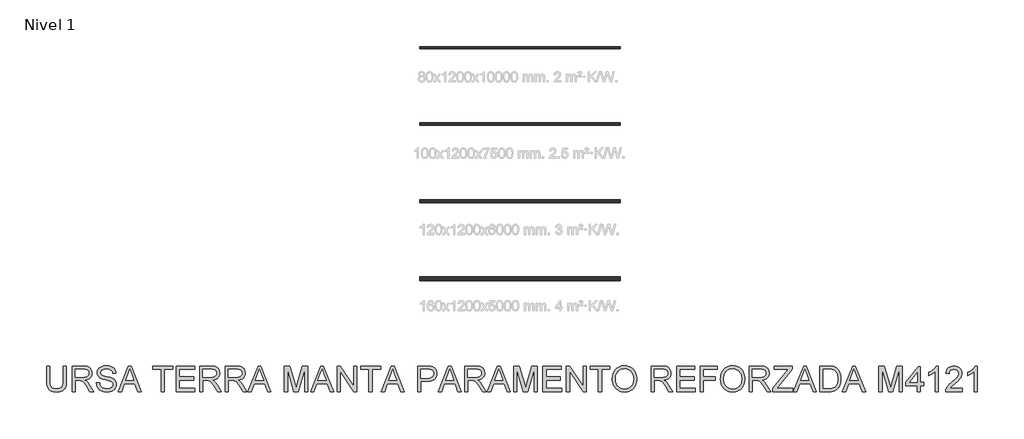
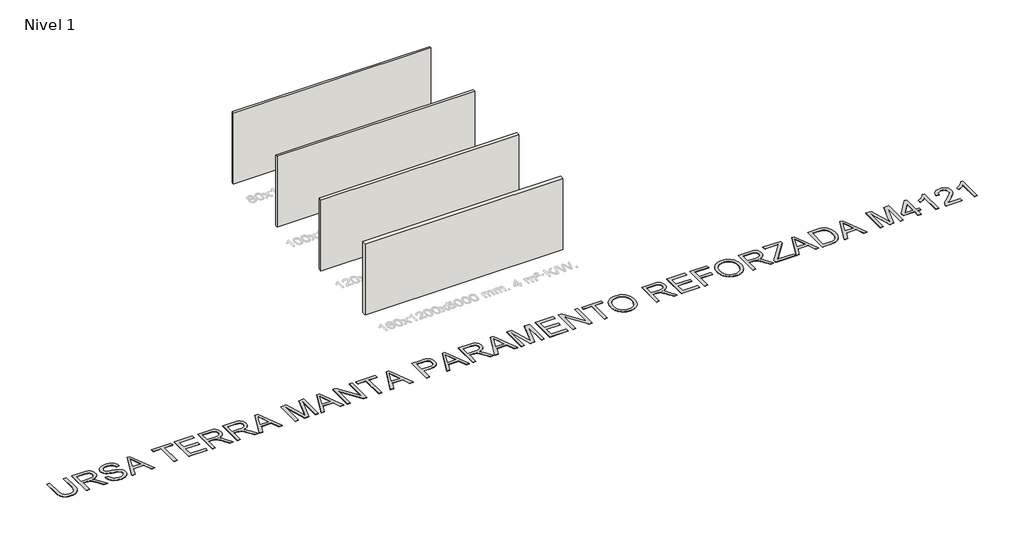
# One storey, part 1 of 5: 4 walls, 1 proxy.
"""IFC4 building model written with IfcOpenShell, lengths in millimetres."""

from ifc_helpers import new_model, si_unit, origin, origin_with_axes, place, context, project, spatial, polyline, outline, extrude, element, save

model = new_model("IFC4")

# Units and contexts
model_context = context("Model", 3, world=origin())
ifc_project = project(units=[si_unit("LENGTHUNIT", "METRE", prefix="MILLI")], contexts=[model_context])

# Site, building, storey
site = spatial("IfcSite", under=ifc_project)
building = spatial("IfcBuilding", under=site)
storey = spatial("IfcBuildingStorey", under=building, Name="Nivel 1", Elevation=0.0)

# Proxy
placement = place(None, origin())
element("IfcBuildingElementProxy", 1, Name="Texto de modelo 2", ObjectType="Texto de modelo 2", at=placement, inside=storey, context=model_context, shape_type="SweptSolid", body=[
    extrude(outline(polyline([(-14244.5145363, -8570.0537554), (-14118.9441487, -8570.0537554), (-14118.9441487, -9149.5905251), (-14121.0747985, -9221.3505068), (-14127.4667482, -9285.3083245), (-14138.1199977, -9341.4639782), (-14153.0345469, -9389.817468), (-14173.4979829, -9432.2005395), (-14200.7978926, -9470.4449386), (-14234.934276, -9504.5506652), (-14275.9071333, -9534.5177194), (-14323.7624495, -9558.9282226), (-14378.5462099, -9576.3642963), (-14440.2584146, -9586.8259406), (-14508.8990635, -9590.3131553), (-14575.8459225, -9587.2781289), (-14636.4008317, -9578.1730495), (-14690.5637913, -9562.9979172), (-14738.3348012, -9541.752732), (-14779.7215257, -9514.7517264), (-14814.7316289, -9482.3091329), (-14843.3651108, -9444.4249516), (-14865.6219715, -9401.0991825), (-14882.3069529, -9350.8449691), (-14894.2247967, -9292.1754551), (-14901.3755029, -9225.0906404), (-14903.7590717, -9149.5905251), (-14903.7590717, -8570.0537554), (-14778.188684, -8570.0537554), (-14778.188684, -9145.1759412), (-14776.6405139, -9205.8841346), (-14771.9960038, -9258.0237432), (-14764.2551534, -9301.594767), (-14753.417963, -9336.597206), (-14738.8099821, -9365.5602489), (-14719.7567604, -9391.0130844), (-14696.258298, -9412.9557126), (-14668.3145948, -9431.3881334), (-14636.4621454, -9445.9807859), (-14601.2374443, -9456.4041091), (-14562.6404917, -9462.658103), (-14520.6712874, -9464.7427676), (-14451.463487, -9460.6194236), (-14392.9549214, -9448.2493915), (-14345.1455904, -9427.6326714), (-14325.253138, -9414.2318033), (-14308.0354942, -9398.7692632), (-14293.1477697, -9380.3751634), (-14280.2450751, -9358.1796164), (-14260.3947758, -9302.3841804), (-14248.4845962, -9231.3829554), (-14244.5145363, -9145.1759412), (-14244.5145363, -8570.0537554)])), origin_with_axes(), (0.0, 0.0, 1.0), 10.0),
    extrude(outline(polyline([(-13899.1959702, -9574.6168569), (-13899.1959702, -8570.0537554), (-13466.3214892, -8570.0537554), (-13404.1877531, -8571.7475454), (-13349.9788082, -8576.8289155), (-13303.6946547, -8585.2978655), (-13265.3352925, -8597.1543957), (-13232.670437, -8613.3105466), (-13203.4698037, -8634.6783592), (-13177.7333924, -8661.2578333), (-13155.4612033, -8693.0489691), (-13137.488635, -8728.342648), (-13124.6510862, -8765.4297516), (-13116.9485569, -8804.31028), (-13114.3810472, -8844.9842331), (-13118.6346827, -8896.5796829), (-13131.3955894, -8943.9444898), (-13152.6637673, -8987.0786537), (-13182.4392163, -9025.9821747), (-13221.1051468, -9059.413451), (-13269.0447693, -9086.1308809), (-13326.2580838, -9106.1344644), (-13392.7450902, -9119.4242015), (-13351.3583657, -9146.4635281), (-13321.3759831, -9173.1349728), (-13269.9338175, -9234.1420703), (-13219.5952978, -9302.3841804), (-13052.0863626, -9574.6168569), (-13198.0128874, -9574.6168569), (-13328.733623, -9366.3956476), (-13381.03418, -9286.9331366), (-13423.1566684, -9228.5625267), (-13458.2587421, -9188.3714188), (-13489.4980549, -9163.4474136), (-13519.0818987, -9148.8241043), (-13549.2175655, -9139.5350839), (-13622.0582005, -9135.1205), (-13773.6255825, -9135.1205), (-13773.6255825, -9574.6168569), (-13899.1959702, -9574.6168569)]), holes=[polyline([(-13773.6255825, -9009.5501123), (-13492.5637382, -9009.5501123), (-13411.8442971, -9005.1048715), (-13349.2123874, -8991.7691492), (-13324.0277992, -8981.5450954), (-13302.0621784, -8968.6538971), (-13283.315525, -8953.0955544), (-13267.7878391, -8934.8700673), (-13255.6094123, -8914.874148), (-13246.9105359, -8894.004509), (-13241.6912101, -8872.2611502), (-13239.9514348, -8849.6440717), (-13243.270037, -8817.5310392), (-13253.2258435, -8788.3917195), (-13269.8188543, -8762.2261126), (-13293.0490695, -8739.0342185), (-13323.4529835, -8720.0423105), (-13361.5670911, -8706.4766619), (-13407.3913921, -8698.3372728), (-13460.9258866, -8695.6241431), (-13773.6255825, -8695.6241431), (-13773.6255825, -9009.5501123)])]), origin_with_axes(), (0.0, 0.0, 1.0), 10.0),
    extrude(outline(polyline([(-12941.7217641, -9229.2982907), (-12816.1513764, -9229.2982907), (-12810.4032202, -9265.8488998), (-12801.7426649, -9298.981272), (-12790.1697105, -9328.6954073), (-12775.6843569, -9354.9913057), (-12757.5508403, -9378.3977977), (-12735.0333965, -9399.4437135), (-12708.1320256, -9418.1290532), (-12676.8467276, -9434.4538167), (-12642.3271337, -9447.7052327), (-12605.7228752, -9457.1705299), (-12567.033952, -9462.8497082), (-12526.2603642, -9464.7427676), (-12456.3014715, -9459.0099399), (-12424.5869778, -9451.8439052), (-12395.0491193, -9441.8114566), (-12368.4159956, -9429.2728119), (-12345.4157067, -9414.588189), (-12326.0482525, -9397.7575877), (-12310.313633, -9378.7810081), (-12298.1352062, -9358.4785205), (-12289.4363298, -9337.6701951), (-12284.217004, -9316.356032), (-12282.4772287, -9294.5360312), (-12287.6888903, -9252.5055133), (-12303.3238751, -9216.1771662), (-12316.4756565, -9200.0593363), (-12335.084354, -9185.1831081), (-12359.1499679, -9171.5484817), (-12388.672498, -9159.155457), (-12454.9832276, -9139.4431134), (-12571.5098496, -9111.2081703), (-12691.5313505, -9079.4783482), (-12735.3323006, -9064.1882528), (-12768.326717, -9049.2813678), (-12801.857628, -9029.2777843), (-12830.8359994, -9007.036252), (-12855.261831, -8982.5567709), (-12875.135123, -8955.839341), (-12890.5325173, -8927.1598738), (-12901.5306561, -8896.7942808), (-12908.1295394, -8864.7425619), (-12910.3291672, -8831.0047173), (-12907.6083732, -8793.6110453), (-12899.4459915, -8757.4589751), (-12885.8420219, -8722.5485066), (-12866.7964644, -8688.8796398), (-12842.5239169, -8657.8242681), (-12813.2389773, -8630.7542846), (-12778.9416454, -8607.6696894), (-12739.6319214, -8588.5704825), (-12696.6357132, -8573.6022838), (-12651.2789289, -8562.9107133), (-12603.5615684, -8556.495771), (-12553.4836318, -8554.3574569), (-12498.8531556, -8556.5954057), (-12447.5336172, -8563.3092521), (-12399.5250169, -8574.4989961), (-12354.8273544, -8590.1646378), (-12314.2683645, -8610.1682213), (-12278.6757814, -8634.3717909), (-12248.0496053, -8662.7753466), (-12222.3898362, -8695.3788884), (-12201.8957434, -8731.2320545), (-12186.7665963, -8769.3844831), (-12177.002395, -8809.8361741), (-12172.6031395, -8852.5871277), (-12298.1735272, -8852.5871277), (-12306.5734994, -8812.518647), (-12321.2274656, -8777.661828), (-12342.1354256, -8748.0166705), (-12369.2973796, -8723.5831747), (-12403.2191652, -8704.4839678), (-12444.4066203, -8690.8416771), (-12492.8597447, -8682.6563027), (-12548.5785386, -8679.9278446), (-12606.0754287, -8682.6256459), (-12655.2030035, -8690.7190498), (-12695.9612629, -8704.2080563), (-12728.3502069, -8723.0926654), (-12753.0289574, -8745.7940502), (-12770.6566363, -8770.7333837), (-12781.2332437, -8797.9106661), (-12784.7587795, -8827.3258973), (-12782.2602476, -8852.6331129), (-12774.7646519, -8875.5797524), (-12762.2719925, -8896.1658157), (-12744.7822693, -8914.3913029), (-12717.2524334, -8931.6510998), (-12673.9036716, -8949.0948377), (-12614.735984, -8966.7225167), (-12539.7493707, -8984.5341366), (-12401.3031132, -9018.1953392), (-12352.5894056, -9033.4164567), (-12317.5486456, -9047.5645851), (-12279.0513277, -9069.0090397), (-12245.9649407, -9093.1206388), (-12218.2894848, -9119.8993824), (-12196.0249599, -9149.3452704), (-12178.9107829, -9181.3050188), (-12166.6863707, -9215.6253432), (-12159.3517235, -9252.3062438), (-12156.906841, -9291.3477206), (-12159.7196055, -9330.6267878), (-12168.1578987, -9368.7562237), (-12182.2217208, -9405.7360285), (-12201.9110718, -9441.5662019), (-12226.8810622, -9474.8595225), (-12256.7868027, -9504.2287685), (-12291.6282934, -9529.6739398), (-12331.4055341, -9551.1950365), (-12374.9612295, -9568.3092135), (-12421.1380841, -9580.5336256), (-12469.9360979, -9587.8682729), (-12521.3552709, -9590.3131553), (-12585.5890001, -9587.6766677), (-12644.3811415, -9579.7672048), (-12697.731695, -9566.5847666), (-12745.6406607, -9548.1293532), (-12788.3992784, -9524.3703077), (-12826.2987881, -9495.2769732), (-12859.3391898, -9460.8493499), (-12887.5204835, -9421.0874375), (-12910.2218683, -9377.2788233), (-12926.8225433, -9330.7110941), (-12937.3225086, -9281.3842499), (-12941.7217641, -9229.2982907)])), origin_with_axes(), (0.0, 0.0, 1.0), 10.0),
    extrude(outline(polyline([(-12085.537734, -9574.6168569), (-11684.5463592, -8570.0537554), (-11577.615326, -8570.0537554), (-11176.6239512, -9574.6168569), (-11309.3067242, -9574.6168569), (-11424.3311613, -9260.6908877), (-11838.0757786, -9260.6908877), (-11952.8549611, -9574.6168569), (-12085.537734, -9574.6168569)]), holes=[polyline([(-11791.9679018, -9135.1205), (-11470.1937834, -9135.1205), (-11560.6927542, -8888.1490539), (-11631.0808426, -8695.6241431), (-11693.6207818, -8866.5666435), (-11791.9679018, -9135.1205)])]), origin_with_axes(), (0.0, 0.0, 1.0), 10.0),
    extrude(outline(polyline([(-10398.9214134, -9574.6168569), (-10398.9214134, -8695.6241431), (-10728.5436811, -8695.6241431), (-10728.5436811, -8570.0537554), (-9943.7287581, -8570.0537554), (-9943.7287581, -8695.6241431), (-10273.3510257, -8695.6241431), (-10273.3510257, -9574.6168569), (-10398.9214134, -9574.6168569)])), origin_with_axes(), (0.0, 0.0, 1.0), 10.0),
    extrude(outline(polyline([(-9802.4620719, -9574.6168569), (-9802.4620719, -8570.0537554), (-9080.4323427, -8570.0537554), (-9080.4323427, -8695.6241431), (-9676.8916842, -8695.6241431), (-9676.8916842, -8993.8538138), (-9111.8249396, -8993.8538138), (-9111.8249396, -9119.4242015), (-9676.8916842, -9119.4242015), (-9676.8916842, -9449.0464692), (-9064.7360443, -9449.0464692), (-9064.7360443, -9574.6168569), (-9802.4620719, -9574.6168569)])), origin_with_axes(), (0.0, 0.0, 1.0), 10.0),
    extrude(outline(polyline([(-8876.3804627, -9574.6168569), (-8876.3804627, -8570.0537554), (-8443.5059817, -8570.0537554), (-8381.3722456, -8571.7475454), (-8327.1633008, -8576.8289155), (-8280.8791472, -8585.2978655), (-8242.519785, -8597.1543957), (-8209.8549295, -8613.3105466), (-8180.6542962, -8634.6783592), (-8154.9178849, -8661.2578333), (-8132.6456958, -8693.0489691), (-8114.6731275, -8728.342648), (-8101.8355787, -8765.4297516), (-8094.1330494, -8804.31028), (-8091.5655397, -8844.9842331), (-8095.8191752, -8896.5796829), (-8108.580082, -8943.9444898), (-8129.8482598, -8987.0786537), (-8159.6237088, -9025.9821747), (-8198.2896393, -9059.413451), (-8246.2292618, -9086.1308809), (-8303.4425763, -9106.1344644), (-8369.9295827, -9119.4242015), (-8328.5428582, -9146.4635281), (-8298.5604756, -9173.1349728), (-8247.11831, -9234.1420703), (-8196.7797903, -9302.3841804), (-8029.2708552, -9574.6168569), (-8175.1973799, -9574.6168569), (-8305.9181155, -9366.3956476), (-8358.2186725, -9286.9331366), (-8400.341161, -9228.5625267), (-8435.4432347, -9188.3714188), (-8466.6825474, -9163.4474136), (-8496.2663912, -9148.8241043), (-8526.402058, -9139.5350839), (-8599.242693, -9135.1205), (-8750.810075, -9135.1205), (-8750.810075, -9574.6168569), (-8876.3804627, -9574.6168569)]), holes=[polyline([(-8750.810075, -9009.5501123), (-8469.7482307, -9009.5501123), (-8389.0287896, -9005.1048715), (-8326.3968799, -8991.7691492), (-8301.2122917, -8981.5450954), (-8279.2466709, -8968.6538971), (-8260.5000175, -8953.0955544), (-8244.9723317, -8934.8700673), (-8232.7939048, -8914.874148), (-8224.0950284, -8894.004509), (-8218.8757026, -8872.2611502), (-8217.1359274, -8849.6440717), (-8220.4545295, -8817.5310392), (-8230.410336, -8788.3917195), (-8247.0033468, -8762.2261126), (-8270.233562, -8739.0342185), (-8300.6374761, -8720.0423105), (-8338.7515836, -8706.4766619), (-8384.5758846, -8698.3372728), (-8438.1103791, -8695.6241431), (-8750.810075, -8695.6241431), (-8750.810075, -9009.5501123)])]), origin_with_axes(), (0.0, 0.0, 1.0), 10.0),
    extrude(outline(polyline([(-7871.8173612, -9574.6168569), (-7871.8173612, -8570.0537554), (-7438.9428802, -8570.0537554), (-7376.8091441, -8571.7475454), (-7322.6001993, -8576.8289155), (-7276.3160457, -8585.2978655), (-7237.9566835, -8597.1543957), (-7205.291828, -8613.3105466), (-7176.0911947, -8634.6783592), (-7150.3547834, -8661.2578333), (-7128.0825943, -8693.0489691), (-7110.110026, -8728.342648), (-7097.2724772, -8765.4297516), (-7089.5699479, -8804.31028), (-7087.0024382, -8844.9842331), (-7091.2560738, -8896.5796829), (-7104.0169805, -8943.9444898), (-7125.2851583, -8987.0786537), (-7155.0606073, -9025.9821747), (-7193.7265378, -9059.413451), (-7241.6661603, -9086.1308809), (-7298.8794748, -9106.1344644), (-7365.3664812, -9119.4242015), (-7323.9797567, -9146.4635281), (-7293.9973741, -9173.1349728), (-7242.5552085, -9234.1420703), (-7192.2166888, -9302.3841804), (-7024.7077537, -9574.6168569), (-7170.6342784, -9574.6168569), (-7301.355014, -9366.3956476), (-7353.655571, -9286.9331366), (-7395.7780595, -9228.5625267), (-7430.8801332, -9188.3714188), (-7462.1194459, -9163.4474136), (-7491.7032897, -9148.8241043), (-7521.8389565, -9139.5350839), (-7594.6795915, -9135.1205), (-7746.2469735, -9135.1205), (-7746.2469735, -9574.6168569), (-7871.8173612, -9574.6168569)]), holes=[polyline([(-7746.2469735, -9009.5501123), (-7465.1851292, -9009.5501123), (-7384.4656881, -9005.1048715), (-7321.8337784, -8991.7691492), (-7296.6491902, -8981.5450954), (-7274.6835694, -8968.6538971), (-7255.936916, -8953.0955544), (-7240.4092302, -8934.8700673), (-7228.2308033, -8914.874148), (-7219.5319269, -8894.004509), (-7214.3126011, -8872.2611502), (-7212.5728259, -8849.6440717), (-7215.891428, -8817.5310392), (-7225.8472345, -8788.3917195), (-7242.4402454, -8762.2261126), (-7265.6704605, -8739.0342185), (-7296.0743746, -8720.0423105), (-7334.1884821, -8706.4766619), (-7380.0127831, -8698.3372728), (-7433.5472776, -8695.6241431), (-7746.2469735, -8695.6241431), (-7746.2469735, -9009.5501123)])]), origin_with_axes(), (0.0, 0.0, 1.0), 10.0),
    extrude(outline(polyline([(-6984.2407342, -9574.6168569), (-6583.2493595, -8570.0537554), (-6476.3183262, -8570.0537554), (-6075.3269514, -9574.6168569), (-6208.0097244, -9574.6168569), (-6323.0341615, -9260.6908877), (-6736.7787788, -9260.6908877), (-6851.5579613, -9574.6168569), (-6984.2407342, -9574.6168569)]), holes=[polyline([(-6690.670902, -9135.1205), (-6368.8967836, -9135.1205), (-6459.3957544, -8888.1490539), (-6529.7838428, -8695.6241431), (-6592.323782, -8866.5666435), (-6690.670902, -9135.1205)])]), origin_with_axes(), (0.0, 0.0, 1.0), 10.0),
    extrude(outline(polyline([(-5548.765189, -9574.6168569), (-5548.765189, -8570.0537554), (-5332.6958305, -8570.0537554), (-5127.1724225, -9278.1039688), (-5085.7243844, -9425.9925308), (-5040.842781, -9265.8412356), (-4838.7529383, -8570.0537554), (-4622.6835798, -8570.0537554), (-4622.6835798, -9574.6168569), (-4748.2539675, -9574.6168569), (-4748.2539675, -8695.6241431), (-5000.6210162, -9574.6168569), (-5170.8277526, -9574.6168569), (-5423.1948013, -8695.6241431), (-5423.1948013, -9574.6168569), (-5548.765189, -9574.6168569)])), origin_with_axes(), (0.0, 0.0, 1.0), 10.0),
    extrude(outline(polyline([(-4519.9218758, -9574.6168569), (-4118.9305011, -8570.0537554), (-4011.9994678, -8570.0537554), (-3611.0080931, -9574.6168569), (-3743.690866, -9574.6168569), (-3858.7153032, -9260.6908877), (-4272.4599204, -9260.6908877), (-4387.2391029, -9574.6168569), (-4519.9218758, -9574.6168569)]), holes=[polyline([(-4226.3520437, -9135.1205), (-3904.5779252, -9135.1205), (-3995.0768961, -8888.1490539), (-4065.4649845, -8695.6241431), (-4128.0049236, -8866.5666435), (-4226.3520437, -9135.1205)])]), origin_with_axes(), (0.0, 0.0, 1.0), 10.0),
    extrude(outline(polyline([(-3476.8537922, -9574.6168569), (-3476.8537922, -8570.0537554), (-3342.4542366, -8570.0537554), (-2817.6092568, -9365.9051383), (-2817.6092568, -8570.0537554), (-2692.0388691, -8570.0537554), (-2692.0388691, -9574.6168569), (-2826.4384247, -9574.6168569), (-3351.2834045, -8778.5202193), (-3351.2834045, -9574.6168569), (-3476.8537922, -9574.6168569)])), origin_with_axes(), (0.0, 0.0, 1.0), 10.0),
    extrude(outline(polyline([(-2221.1499153, -9574.6168569), (-2221.1499153, -8695.6241431), (-2550.772183, -8695.6241431), (-2550.772183, -8570.0537554), (-1765.9572599, -8570.0537554), (-1765.9572599, -8695.6241431), (-2095.5795276, -8695.6241431), (-2095.5795276, -9574.6168569), (-2221.1499153, -9574.6168569)])), origin_with_axes(), (0.0, 0.0, 1.0), 10.0),
    extrude(outline(polyline([(-1741.6770483, -9574.6168569), (-1340.6856735, -8570.0537554), (-1233.7546403, -8570.0537554), (-832.7632655, -9574.6168569), (-965.4460384, -9574.6168569), (-1080.4704756, -9260.6908877), (-1494.2150928, -9260.6908877), (-1608.9942753, -9574.6168569), (-1741.6770483, -9574.6168569)]), holes=[polyline([(-1448.1072161, -9135.1205), (-1126.3330977, -9135.1205), (-1216.8320685, -8888.1490539), (-1287.2201569, -8695.6241431), (-1349.7600961, -8866.5666435), (-1448.1072161, -9135.1205)])]), origin_with_axes(), (0.0, 0.0, 1.0), 10.0),
    extrude(outline(polyline([(-306.2015031, -9574.6168569), (-306.2015031, -8570.0537554), (66.095076, -8570.0537554), (152.7925996, -8572.4449883), (216.1909301, -8579.6186872), (251.1320554, -8587.1526039), (283.1147964, -8597.4916208), (312.1391529, -8610.635738), (338.2051251, -8626.5849553), (361.5886245, -8645.6688338), (382.5655624, -8668.2169344), (401.1359389, -8694.2292572), (417.2997541, -8723.705802), (430.3902218, -8755.6732146), (439.7405558, -8789.1581403), (445.3507562, -8824.1605793), (447.220823, -8860.6805316), (442.1701098, -8922.346751), (427.0179701, -8979.0772203), (401.764404, -9030.8719396), (366.4094114, -9077.7309087), (344.1736273, -9098.5392341), (317.8719807, -9116.573116), (287.5044716, -9131.8325546), (253.0711001, -9144.3175498), (214.5718661, -9154.0281017), (172.0067696, -9160.9642101), (74.6789893, -9166.5130969), (-180.6311154, -9166.5130969), (-180.6311154, -9574.6168569), (-306.2015031, -9574.6168569)]), holes=[polyline([(-180.6311154, -9040.9427092), (82.0366292, -9040.9427092), (142.43059, -9038.0609669), (193.3822464, -9029.41574), (234.8915982, -9015.0070285), (266.9586454, -8994.8348325), (290.8863035, -8969.4356464), (307.9774879, -8939.3459649), (318.2321985, -8904.5657879), (321.6504354, -8865.0951155), (319.6347486, -8835.7871832), (313.5876883, -8808.6865429), (303.5092545, -8783.7931946), (289.3994471, -8761.1071382), (272.0093586, -8741.3641378), (252.0900814, -8725.2999573), (229.6416155, -8712.9145968), (204.6639609, -8704.2080563), (156.2261649, -8697.7701214), (79.0935732, -8695.6241431), (-180.6311154, -8695.6241431), (-180.6311154, -9040.9427092)])]), origin_with_axes(), (0.0, 0.0, 1.0), 10.0),
    extrude(outline(polyline([(502.8936316, -9574.6168569), (903.8850064, -8570.0537554), (1010.8160397, -8570.0537554), (1411.8074144, -9574.6168569), (1279.1246415, -9574.6168569), (1164.1002043, -9260.6908877), (750.3555871, -9260.6908877), (635.5764046, -9574.6168569), (502.8936316, -9574.6168569)]), holes=[polyline([(796.4634638, -9135.1205), (1118.2375822, -9135.1205), (1027.7386114, -8888.1490539), (957.350523, -8695.6241431), (894.8105838, -8866.5666435), (796.4634638, -9135.1205)])]), origin_with_axes(), (0.0, 0.0, 1.0), 10.0),
    extrude(outline(polyline([(1545.9617153, -9574.6168569), (1545.9617153, -8570.0537554), (1978.8361963, -8570.0537554), (2040.9699324, -8571.7475454), (2095.1788773, -8576.8289155), (2141.4630308, -8585.2978655), (2179.822393, -8597.1543957), (2212.4872485, -8613.3105466), (2241.6878818, -8634.6783592), (2267.4242931, -8661.2578333), (2289.6964822, -8693.0489691), (2307.6690505, -8728.342648), (2320.5065993, -8765.4297516), (2328.2091286, -8804.31028), (2330.7766383, -8844.9842331), (2326.5230028, -8896.5796829), (2313.7620961, -8943.9444898), (2292.4939182, -8987.0786537), (2262.7184692, -9025.9821747), (2224.0525387, -9059.413451), (2176.1129162, -9086.1308809), (2118.8996017, -9106.1344644), (2052.4125953, -9119.4242015), (2093.7993198, -9146.4635281), (2123.7817024, -9173.1349728), (2175.2238681, -9234.1420703), (2225.5623877, -9302.3841804), (2393.0713229, -9574.6168569), (2247.1447981, -9574.6168569), (2116.4240625, -9366.3956476), (2064.1235055, -9286.9331366), (2022.0010171, -9228.5625267), (1986.8989434, -9188.3714188), (1955.6596306, -9163.4474136), (1926.0757868, -9148.8241043), (1895.94012, -9139.5350839), (1823.099485, -9135.1205), (1671.532103, -9135.1205), (1671.532103, -9574.6168569), (1545.9617153, -9574.6168569)]), holes=[polyline([(1671.532103, -9009.5501123), (1952.5939473, -9009.5501123), (2033.3133884, -9005.1048715), (2095.9452981, -8991.7691492), (2121.1298863, -8981.5450954), (2143.0955071, -8968.6538971), (2161.8421605, -8953.0955544), (2177.3698464, -8934.8700673), (2189.5482732, -8914.874148), (2198.2471496, -8894.004509), (2203.4664754, -8872.2611502), (2205.2062507, -8849.6440717), (2201.8876485, -8817.5310392), (2191.931842, -8788.3917195), (2175.3388312, -8762.2261126), (2152.108616, -8739.0342185), (2121.704702, -8720.0423105), (2083.5905944, -8706.4766619), (2037.7662934, -8698.3372728), (1984.2317989, -8695.6241431), (1671.532103, -8695.6241431), (1671.532103, -9009.5501123)])]), origin_with_axes(), (0.0, 0.0, 1.0), 10.0),
    extrude(outline(polyline([(2433.5383423, -9574.6168569), (2834.5297171, -8570.0537554), (2941.4607503, -8570.0537554), (3342.4521251, -9574.6168569), (3209.7693522, -9574.6168569), (3094.744915, -9260.6908877), (2681.0002978, -9260.6908877), (2566.2211153, -9574.6168569), (2433.5383423, -9574.6168569)]), holes=[polyline([(2727.1081745, -9135.1205), (3048.8822929, -9135.1205), (2958.3833221, -8888.1490539), (2887.9952337, -8695.6241431), (2825.4552945, -8866.5666435), (2727.1081745, -9135.1205)])]), origin_with_axes(), (0.0, 0.0, 1.0), 10.0),
    extrude(outline(polyline([(3476.606426, -9574.6168569), (3476.606426, -8570.0537554), (3692.6757845, -8570.0537554), (3898.1991925, -9278.1039688), (3939.6472306, -9425.9925308), (3984.528834, -9265.8412356), (4186.6186767, -8570.0537554), (4402.6880352, -8570.0537554), (4402.6880352, -9574.6168569), (4277.1176475, -9574.6168569), (4277.1176475, -8695.6241431), (4024.7505988, -9574.6168569), (3854.5438624, -9574.6168569), (3602.1768137, -8695.6241431), (3602.1768137, -9574.6168569), (3476.606426, -9574.6168569)])), origin_with_axes(), (0.0, 0.0, 1.0), 10.0),
    extrude(outline(polyline([(4622.4362136, -9574.6168569), (4622.4362136, -8570.0537554), (5344.4659428, -8570.0537554), (5344.4659428, -8695.6241431), (4748.0066013, -8695.6241431), (4748.0066013, -8993.8538138), (5313.0733459, -8993.8538138), (5313.0733459, -9119.4242015), (4748.0066013, -9119.4242015), (4748.0066013, -9449.0464692), (5360.1622413, -9449.0464692), (5360.1622413, -9574.6168569), (4622.4362136, -9574.6168569)])), origin_with_axes(), (0.0, 0.0, 1.0), 10.0),
    extrude(outline(polyline([(5548.5178228, -9574.6168569), (5548.5178228, -8570.0537554), (5682.9173784, -8570.0537554), (6207.7623582, -9365.9051383), (6207.7623582, -8570.0537554), (6333.3327459, -8570.0537554), (6333.3327459, -9574.6168569), (6198.9331903, -9574.6168569), (5674.0882105, -8778.5202193), (5674.0882105, -9574.6168569), (5548.5178228, -9574.6168569)])), origin_with_axes(), (0.0, 0.0, 1.0), 10.0),
    extrude(outline(polyline([(6804.2216997, -9574.6168569), (6804.2216997, -8695.6241431), (6474.599432, -8695.6241431), (6474.599432, -8570.0537554), (7259.4143551, -8570.0537554), (7259.4143551, -8695.6241431), (6929.7920874, -8695.6241431), (6929.7920874, -9574.6168569), (6804.2216997, -9574.6168569)])), origin_with_axes(), (0.0, 0.0, 1.0), 10.0),
    extrude(outline(polyline([(7353.5921458, -9085.5790579), (7355.6844747, -9024.9743313), (7361.9614612, -8967.7495206), (7372.4231055, -8913.9046256), (7387.0694074, -8863.4396465), (7405.900367, -8816.3545832), (7428.9159843, -8772.6494358), (7456.1162594, -8732.3242042), (7487.5011921, -8695.3788884), (7522.1932306, -8662.3269904), (7559.3148232, -8633.6820121), (7598.8659698, -8609.4439536), (7640.8466704, -8589.6128148), (7685.256925, -8574.1885957), (7732.0967336, -8563.1712964), (7781.3660962, -8556.5609168), (7833.0650129, -8554.3574569), (7900.6480011, -8558.4961294), (7964.8280808, -8570.9121467), (8025.6052521, -8591.6055089), (8082.9795149, -8620.576216), (8135.3413856, -8656.9505483), (8181.0813803, -8699.854786), (8220.1994991, -8749.2889291), (8252.695742, -8805.2529776), (8278.2328839, -8866.474673), (8296.4736995, -8931.6817566), (8307.4181888, -9000.8742286), (8311.0663519, -9074.0520888), (8307.2265836, -9148.1956392), (8295.7072786, -9218.3231445), (8276.508437, -9284.4346048), (8249.6300587, -9346.5300199), (8215.7082731, -9402.9692493), (8175.3792094, -9452.1121525), (8128.6428676, -9493.9587294), (8075.4992477, -9528.5089801), (8018.0406786, -9555.5483068), (7958.3594891, -9574.8621115), (7896.4556792, -9586.4503944), (7832.3292489, -9590.3131553), (7763.5659726, -9586.0441913), (7698.54283, -9573.2372994), (7637.2598209, -9551.8924795), (7579.7169455, -9522.0097316), (7527.4163885, -9484.7463511), (7481.8603348, -9441.2596336), (7443.0487843, -9391.549579), (7410.9817371, -9335.6161873), (7385.8737909, -9275.7050716), (7367.9395436, -9214.0618448), (7357.1789953, -9150.6865069), (7353.5921458, -9085.5790579)]), holes=[polyline([(7479.1625335, -9086.8053313), (7480.7317801, -9129.5984379), (7485.4395201, -9170.0539611), (7493.2857532, -9208.1719007), (7504.2704797, -9243.9522569), (7518.3936994, -9277.3950295), (7535.6554124, -9308.5002186), (7556.0556187, -9337.2678242), (7579.5943182, -9363.6978463), (7605.5012581, -9387.3802497), (7633.0061854, -9407.9049994), (7662.1091001, -9425.2720952), (7692.8100022, -9439.4815373), (7725.1088918, -9450.5333256), (7759.0057687, -9458.4274601), (7794.5006331, -9463.1639407), (7831.5934849, -9464.7427676), (7869.3646191, -9463.1486123), (7905.4228028, -9458.3661464), (7939.7680359, -9450.3953698), (7972.4003185, -9439.2362826), (8003.3196506, -9424.8888848), (8032.5260321, -9407.3531764), (8060.0194631, -9386.6291573), (8085.7999436, -9362.7168276), (8109.1661984, -9335.8729383), (8129.4169526, -9306.3542403), (8146.5522062, -9274.1607336), (8160.5719591, -9239.2924183), (8171.4762113, -9201.7492942), (8179.264963, -9161.5313615), (8183.9382139, -9118.6386202), (8185.4959643, -9073.0710701), (8182.8288198, -9015.6048368), (8174.8273864, -8961.9093939), (8161.4916641, -8911.9847415), (8142.8216528, -8865.8308795), (8119.0242862, -8824.0532804), (8090.306498, -8787.2574167), (8056.6682881, -8755.4432883), (8018.1096564, -8728.6108953), (7975.8262196, -8707.3120606), (7931.0135941, -8692.0986073), (7883.6717798, -8682.9705353), (7833.8007769, -8679.9278446), (7763.7345852, -8685.7909639), (7698.726771, -8703.3803218), (7668.1197554, -8716.5723402), (7638.7773342, -8732.6959183), (7583.8862748, -8773.7377534), (7559.3416479, -8799.1503518), (7538.069638, -8828.4831928), (7520.070245, -8861.7362762), (7505.3434688, -8898.9096022), (7493.8893096, -8940.0031707), (7485.7077673, -8985.0169817), (7480.798842, -9033.9510352), (7479.1625335, -9086.8053313)])]), origin_with_axes(), (0.0, 0.0, 1.0), 10.0),
    extrude(outline(polyline([(8876.1330965, -9574.6168569), (8876.1330965, -8570.0537554), (9309.0075775, -8570.0537554), (9371.1413137, -8571.7475454), (9425.3502585, -8576.8289155), (9471.634412, -8585.2978655), (9509.9937742, -8597.1543957), (9542.6586297, -8613.3105466), (9571.8592631, -8634.6783592), (9597.5956743, -8661.2578333), (9619.8678634, -8693.0489691), (9637.8404318, -8728.342648), (9650.6779805, -8765.4297516), (9658.3805098, -8804.31028), (9660.9480196, -8844.9842331), (9656.694384, -8896.5796829), (9643.9334773, -8943.9444898), (9622.6652995, -8987.0786537), (9592.8898505, -9025.9821747), (9554.2239199, -9059.413451), (9506.2842974, -9086.1308809), (9449.070983, -9106.1344644), (9382.5839766, -9119.4242015), (9423.970701, -9146.4635281), (9453.9530836, -9173.1349728), (9505.3952493, -9234.1420703), (9555.733769, -9302.3841804), (9723.2427041, -9574.6168569), (9577.3161793, -9574.6168569), (9446.5954437, -9366.3956476), (9394.2948867, -9286.9331366), (9352.1723983, -9228.5625267), (9317.0703246, -9188.3714188), (9285.8310118, -9163.4474136), (9256.247168, -9148.8241043), (9226.1115013, -9139.5350839), (9153.2708662, -9135.1205), (9001.7034842, -9135.1205), (9001.7034842, -9574.6168569), (8876.1330965, -9574.6168569)]), holes=[polyline([(9001.7034842, -9009.5501123), (9282.7653285, -9009.5501123), (9363.4847696, -9005.1048715), (9426.1166793, -8991.7691492), (9451.3012676, -8981.5450954), (9473.2668884, -8968.6538971), (9492.0135417, -8953.0955544), (9507.5412276, -8934.8700673), (9519.7196545, -8914.874148), (9528.4185308, -8894.004509), (9533.6378566, -8872.2611502), (9535.3776319, -8849.6440717), (9532.0590297, -8817.5310392), (9522.1032232, -8788.3917195), (9505.5102124, -8762.2261126), (9482.2799973, -8739.0342185), (9451.8760832, -8720.0423105), (9413.7619756, -8706.4766619), (9367.9376746, -8698.3372728), (9314.4031801, -8695.6241431), (9001.7034842, -8695.6241431), (9001.7034842, -9009.5501123)])]), origin_with_axes(), (0.0, 0.0, 1.0), 10.0),
    extrude(outline(polyline([(9880.696198, -9574.6168569), (9880.696198, -8570.0537554), (10602.7259272, -8570.0537554), (10602.7259272, -8695.6241431), (10006.2665857, -8695.6241431), (10006.2665857, -8993.8538138), (10571.3333303, -8993.8538138), (10571.3333303, -9119.4242015), (10006.2665857, -9119.4242015), (10006.2665857, -9449.0464692), (10618.4222257, -9449.0464692), (10618.4222257, -9574.6168569), (9880.696198, -9574.6168569)])), origin_with_axes(), (0.0, 0.0, 1.0), 10.0),
    extrude(outline(polyline([(10806.7778072, -9574.6168569), (10806.7778072, -8570.0537554), (11481.718641, -8570.0537554), (11481.718641, -8695.6241431), (10932.3481949, -8695.6241431), (10932.3481949, -8993.8538138), (11403.2371487, -8993.8538138), (11403.2371487, -9119.4242015), (10932.3481949, -9119.4242015), (10932.3481949, -9574.6168569), (10806.7778072, -9574.6168569)])), origin_with_axes(), (0.0, 0.0, 1.0), 10.0),
    extrude(outline(polyline([(11607.2890287, -9085.5790579), (11609.3813576, -9024.9743313), (11615.6583441, -8967.7495206), (11626.1199884, -8913.9046256), (11640.7662903, -8863.4396465), (11659.5972499, -8816.3545832), (11682.6128672, -8772.6494358), (11709.8131423, -8732.3242042), (11741.198075, -8695.3788884), (11775.8901135, -8662.3269904), (11813.0117061, -8633.6820121), (11852.5628527, -8609.4439536), (11894.5435533, -8589.6128148), (11938.9538079, -8574.1885957), (11985.7936165, -8563.1712964), (12035.0629791, -8556.5609168), (12086.7618958, -8554.3574569), (12154.344884, -8558.4961294), (12218.5249637, -8570.9121467), (12279.302135, -8591.6055089), (12336.6763978, -8620.576216), (12389.0382685, -8656.9505483), (12434.7782632, -8699.854786), (12473.896382, -8749.2889291), (12506.3926249, -8805.2529776), (12531.9297668, -8866.474673), (12550.1705824, -8931.6817566), (12561.1150717, -9000.8742286), (12564.7632348, -9074.0520888), (12560.9234665, -9148.1956392), (12549.4041615, -9218.3231445), (12530.2053199, -9284.4346048), (12503.3269416, -9346.5300199), (12469.405156, -9402.9692493), (12429.0760923, -9452.1121525), (12382.3397505, -9493.9587294), (12329.1961306, -9528.5089801), (12271.7375615, -9555.5483068), (12212.056372, -9574.8621115), (12150.1525621, -9586.4503944), (12086.0261318, -9590.3131553), (12017.2628555, -9586.0441913), (11952.2397129, -9573.2372994), (11890.9567038, -9551.8924795), (11833.4138284, -9522.0097316), (11781.1132714, -9484.7463511), (11735.5572177, -9441.2596336), (11696.7456672, -9391.549579), (11664.67862, -9335.6161873), (11639.5706738, -9275.7050716), (11621.6364265, -9214.0618448), (11610.8758782, -9150.6865069), (11607.2890287, -9085.5790579)]), holes=[polyline([(11732.8594164, -9086.8053313), (11734.428663, -9129.5984379), (11739.136403, -9170.0539611), (11746.9826361, -9208.1719007), (11757.9673626, -9243.9522569), (11772.0905823, -9277.3950295), (11789.3522953, -9308.5002186), (11809.7525016, -9337.2678242), (11833.2912011, -9363.6978463), (11859.198141, -9387.3802497), (11886.7030683, -9407.9049994), (11915.805983, -9425.2720952), (11946.5068851, -9439.4815373), (11978.8057747, -9450.5333256), (12012.7026516, -9458.4274601), (12048.197516, -9463.1639407), (12085.2903678, -9464.7427676), (12123.061502, -9463.1486123), (12159.1196857, -9458.3661464), (12193.4649188, -9450.3953698), (12226.0972014, -9439.2362826), (12257.0165335, -9424.8888848), (12286.222915, -9407.3531764), (12313.716346, -9386.6291573), (12339.4968265, -9362.7168276), (12362.8630813, -9335.8729383), (12383.1138355, -9306.3542403), (12400.2490891, -9274.1607336), (12414.268842, -9239.2924183), (12425.1730942, -9201.7492942), (12432.9618459, -9161.5313615), (12437.6350968, -9118.6386202), (12439.1928471, -9073.0710701), (12436.5257027, -9015.6048368), (12428.5242693, -8961.9093939), (12415.188547, -8911.9847415), (12396.5185357, -8865.8308795), (12372.7211691, -8824.0532804), (12344.0033809, -8787.2574167), (12310.365171, -8755.4432883), (12271.8065393, -8728.6108953), (12229.5231025, -8707.3120606), (12184.710477, -8692.0986073), (12137.3686627, -8682.9705353), (12087.4976598, -8679.9278446), (12017.4314681, -8685.7909639), (11952.4236539, -8703.3803218), (11921.8166383, -8716.5723402), (11892.4742171, -8732.6959183), (11837.5831577, -8773.7377534), (11813.0385308, -8799.1503518), (11791.7665209, -8828.4831928), (11773.7671279, -8861.7362762), (11759.0403517, -8898.9096022), (11747.5861925, -8940.0031707), (11739.4046502, -8985.0169817), (11734.4957249, -9033.9510352), (11732.8594164, -9086.8053313)])]), origin_with_axes(), (0.0, 0.0, 1.0), 10.0),
    extrude(outline(polyline([(12737.4225179, -9574.6168569), (12737.4225179, -8570.0537554), (13170.2969989, -8570.0537554), (13232.430735, -8571.7475454), (13286.6396799, -8576.8289155), (13332.9238334, -8585.2978655), (13371.2831956, -8597.1543957), (13403.9480511, -8613.3105466), (13433.1486845, -8634.6783592), (13458.8850957, -8661.2578333), (13481.1572848, -8693.0489691), (13499.1298531, -8728.342648), (13511.9674019, -8765.4297516), (13519.6699312, -8804.31028), (13522.2374409, -8844.9842331), (13517.9838054, -8896.5796829), (13505.2228987, -8943.9444898), (13483.9547208, -8987.0786537), (13454.1792718, -9025.9821747), (13415.5133413, -9059.413451), (13367.5737188, -9086.1308809), (13310.3604044, -9106.1344644), (13243.8733979, -9119.4242015), (13285.2601224, -9146.4635281), (13315.242505, -9173.1349728), (13366.6846707, -9234.1420703), (13417.0231903, -9302.3841804), (13584.5321255, -9574.6168569), (13438.6056007, -9574.6168569), (13307.8848651, -9366.3956476), (13255.5843081, -9286.9331366), (13213.4618197, -9228.5625267), (13178.359746, -9188.3714188), (13147.1204332, -9163.4474136), (13117.5365894, -9148.8241043), (13087.4009227, -9139.5350839), (13014.5602876, -9135.1205), (12862.9929056, -9135.1205), (12862.9929056, -9574.6168569), (12737.4225179, -9574.6168569)]), holes=[polyline([(12862.9929056, -9009.5501123), (13144.0547499, -9009.5501123), (13224.774191, -9005.1048715), (13287.4061007, -8991.7691492), (13312.5906889, -8981.5450954), (13334.5563097, -8968.6538971), (13353.3029631, -8953.0955544), (13368.830649, -8934.8700673), (13381.0090758, -8914.874148), (13389.7079522, -8894.004509), (13394.927278, -8872.2611502), (13396.6670533, -8849.6440717), (13393.3484511, -8817.5310392), (13383.3926446, -8788.3917195), (13366.7996338, -8762.2261126), (13343.5694186, -8739.0342185), (13313.1655046, -8720.0423105), (13275.051397, -8706.4766619), (13229.227096, -8698.3372728), (13175.6926015, -8695.6241431), (12862.9929056, -8695.6241431), (12862.9929056, -9009.5501123)])]), origin_with_axes(), (0.0, 0.0, 1.0), 10.0),
    extrude(outline(polyline([(13663.5041271, -9574.6168569), (13663.5041271, -9444.3866306), (14177.312647, -8815.3084188), (14274.9240031, -8695.6241431), (13726.2893209, -8695.6241431), (13726.2893209, -8570.0537554), (14432.6227517, -8570.0537554), (14432.6227517, -8695.6241431), (13870.2538084, -9384.0539834), (13817.2788011, -9449.0464692), (14448.3190501, -9449.0464692), (14448.3190501, -9574.6168569), (13663.5041271, -9574.6168569)])), origin_with_axes(), (0.0, 0.0, 1.0), 10.0),
    extrude(outline(polyline([(14472.5992618, -9574.6168569), (14873.5906366, -8570.0537554), (14980.5216698, -8570.0537554), (15381.5130446, -9574.6168569), (15248.8302716, -9574.6168569), (15133.8058345, -9260.6908877), (14720.0612172, -9260.6908877), (14605.2820348, -9574.6168569), (14472.5992618, -9574.6168569)]), holes=[polyline([(14766.169094, -9135.1205), (15087.9432124, -9135.1205), (14997.4442416, -8888.1490539), (14927.0561532, -8695.6241431), (14864.516214, -8866.5666435), (14766.169094, -9135.1205)])]), origin_with_axes(), (0.0, 0.0, 1.0), 10.0),
    extrude(outline(polyline([(15515.6673455, -9574.6168569), (15515.6673455, -8570.0537554), (15862.2121849, -8570.0537554), (15965.7709666, -8573.6712617), (16041.4933439, -8584.5237805), (16083.0946662, -8596.4646169), (16121.5689915, -8612.4214985), (16156.9163199, -8632.3944251), (16189.1366513, -8656.3833969), (16226.3693749, -8692.3132051), (16258.6050347, -8732.9028519), (16285.8436308, -8778.1523373), (16308.0851631, -8828.0616613), (16325.3602884, -8882.1709714), (16337.6996637, -8940.0204152), (16345.1032889, -9001.6099925), (16347.5711639, -9066.9397035), (16345.9003665, -9122.4668922), (16340.8879743, -9174.7597849), (16332.5339874, -9223.8183818), (16320.8384056, -9269.6426829), (16290.3042, -9350.4234376), (16272.1860117, -9385.0886515), (16252.1670998, -9415.9370896), (16208.2665151, -9467.6551668), (16160.4418557, -9507.0491971), (16105.5354679, -9536.2651589), (16040.3896979, -9557.4490304), (15964.8819184, -9570.3249003), (15878.8895021, -9574.6168569), (15515.6673455, -9574.6168569)]), holes=[polyline([(15641.2377332, -9449.0464692), (15863.4384583, -9449.0464692), (15955.3476434, -9444.5092579), (15992.9789058, -9438.8377438), (16025.0612815, -9430.8976241), (16077.6684068, -9409.0086454), (16099.465415, -9395.2590558), (16118.2580536, -9379.6393994), (16141.4269551, -9354.4624754), (16161.8827268, -9325.2848346), (16179.6253689, -9292.1064772), (16194.6548812, -9254.9274031), (16206.6187103, -9213.6709701), (16215.1643025, -9168.2605364), (16220.2916578, -9118.6961017), (16222.0007762, -9064.9776662), (16218.6515172, -8992.0757175), (16208.6037402, -8928.125564), (16191.8574452, -8873.1272057), (16168.4126323, -8827.0806427), (16140.1700249, -8788.9435425), (16109.0303469, -8757.6735729), (16074.9935981, -8733.2707339), (16038.0597786, -8715.7350255), (16006.1460156, -8706.9365144), (15965.8322802, -8700.6518637), (15860.004893, -8695.6241431), (15641.2377332, -8695.6241431), (15641.2377332, -9449.0464692)])]), origin_with_axes(), (0.0, 0.0, 1.0), 10.0),
    extrude(outline(polyline([(16403.2439725, -9574.6168569), (16804.2353473, -8570.0537554), (16911.1663805, -8570.0537554), (17312.1577553, -9574.6168569), (17179.4749823, -9574.6168569), (17064.4505452, -9260.6908877), (16650.7059279, -9260.6908877), (16535.9267454, -9574.6168569), (16403.2439725, -9574.6168569)]), holes=[polyline([(16696.8138047, -9135.1205), (17018.5879231, -9135.1205), (16928.0889523, -8888.1490539), (16857.7008639, -8695.6241431), (16795.1609247, -8866.5666435), (16696.8138047, -9135.1205)])]), origin_with_axes(), (0.0, 0.0, 1.0), 10.0),
    extrude(outline(polyline([(17838.7195177, -9574.6168569), (17838.7195177, -8570.0537554), (18054.7888762, -8570.0537554), (18260.3122842, -9278.1039688), (18301.7603223, -9425.9925308), (18346.6419257, -9265.8412356), (18548.7317684, -8570.0537554), (18764.8011269, -8570.0537554), (18764.8011269, -9574.6168569), (18639.2307392, -9574.6168569), (18639.2307392, -8695.6241431), (18386.8636905, -9574.6168569), (18216.6569541, -9574.6168569), (17964.2899054, -8695.6241431), (17964.2899054, -9574.6168569), (17838.7195177, -9574.6168569)])), origin_with_axes(), (0.0, 0.0, 1.0), 10.0),
    extrude(outline(polyline([(19345.5641699, -9574.6168569), (19345.5641699, -9339.17238), (18890.3715146, -9339.17238), (18890.3715146, -9213.6019923), (19376.9567669, -8585.7500538), (19471.1345576, -8585.7500538), (19471.1345576, -9213.6019923), (19596.7049453, -9213.6019923), (19596.7049453, -9339.17238), (19471.1345576, -9339.17238), (19471.1345576, -9574.6168569), (19345.5641699, -9574.6168569)]), holes=[polyline([(19345.5641699, -9213.6019923), (19345.5641699, -8825.6091147), (19044.8819525, -9213.6019923), (19345.5641699, -9213.6019923)])]), origin_with_axes(), (0.0, 0.0, 1.0), 10.0),
    extrude(outline(polyline([(20177.4679884, -9574.6168569), (20051.8976007, -9574.6168569), (20051.8976007, -8791.7639711), (19999.4744164, -8834.1623711), (19932.9490889, -8876.4994574), (19863.1128235, -8913.5022547), (19800.7568253, -8939.8977879), (19800.7568253, -8821.1945307), (19851.7161458, -8795.6420605), (19899.3798568, -8767.5450731), (19943.7479583, -8736.9035686), (19984.8204502, -8703.717547), (20021.3710593, -8669.5198498), (20052.1735122, -8635.8433188), (20077.2278089, -8602.687954), (20096.5339494, -8570.0537554), (20177.4679884, -8570.0537554), (20177.4679884, -9574.6168569)])), origin_with_axes(), (0.0, 0.0, 1.0), 10.0),
    extrude(outline(polyline([(21119.245896, -9449.0464692), (21119.245896, -9574.6168569), (20460.0013607, -9574.6168569), (20462.7604756, -9530.4097038), (20473.4903671, -9488.0419607), (20487.1786431, -9453.9592267), (20504.4537684, -9420.3823304), (20525.3157432, -9387.3112719), (20549.7645675, -9354.7460511), (20579.2717692, -9321.4144095), (20615.3088763, -9286.0440885), (20706.9728068, -9209.1874083), (20842.4760083, -9088.8286822), (20889.9021289, -9040.4675283), (20923.7779292, -8999.9851804), (20947.4909895, -8963.6874902), (20964.4288897, -8927.8803093), (20974.5916298, -8892.5636378), (20977.9792099, -8857.7374756), (20974.783235, -8824.9729854), (20965.1953105, -8794.8603113), (20949.2154364, -8767.3994532), (20926.8436125, -8742.5904111), (20899.3214408, -8722.0426688), (20867.8905228, -8707.3657101), (20832.5508586, -8698.5595348), (20793.3024483, -8695.6241431), (20751.9540449, -8698.4905569), (20714.9742401, -8707.0897986), (20682.3630341, -8721.421868), (20654.1204268, -8741.4867651), (20631.273422, -8766.6100397), (20614.8490238, -8796.1172414), (20604.847232, -8830.0083702), (20601.2680468, -8868.2834261), (20475.6976591, -8852.5871277), (20486.4965285, -8787.7632544), (20506.1398942, -8731.1247556), (20534.6277562, -8682.6716311), (20571.9601145, -8642.4038811), (20617.2785778, -8610.7507011), (20669.7247547, -8588.1412868), (20729.2986453, -8574.5756382), (20796.0002496, -8570.0537554), (20863.2996621, -8575.081476), (20923.1954494, -8590.1646378), (20975.6876116, -8615.3032408), (21020.7761486, -8650.497285), (21056.9895325, -8693.1409396), (21082.8562353, -8740.6283738), (21098.376257, -8792.9595876), (21103.5495976, -8850.134581), (21097.970054, -8910.1913167), (21081.2314232, -8969.2057201), (21051.5249521, -9029.231799), (21007.0418875, -9092.3235612), (20976.3467335, -9127.3106718), (20936.1326329, -9167.6473997), (20827.1475918, -9264.3697076), (20682.6925951, -9385.1576294), (20651.3613118, -9417.0100788), (20626.0387678, -9449.0464692), (21119.245896, -9449.0464692)])), origin_with_axes(), (0.0, 0.0, 1.0), 10.0),
    extrude(outline(polyline([(21715.7052375, -9574.6168569), (21590.1348498, -9574.6168569), (21590.1348498, -8791.7639711), (21537.7116655, -8834.1623711), (21471.1863381, -8876.4994574), (21401.3500726, -8913.5022547), (21338.9940745, -8939.8977879), (21338.9940745, -8821.1945307), (21389.953395, -8795.6420605), (21437.617106, -8767.5450731), (21481.9852075, -8736.9035686), (21523.0576994, -8703.717547), (21559.6083084, -8669.5198498), (21590.4107613, -8635.8433188), (21615.4650581, -8602.687954), (21634.7711986, -8570.0537554), (21715.7052375, -8570.0537554), (21715.7052375, -9574.6168569)])), origin_with_axes(), (0.0, 0.0, 1.0), 10.0),
])

# Walls
element("IfcWall", 2, at=placement, inside=storey, context=model_context, shape_type="SweptSolid", body=[
    extrude(outline(polyline([(7668.7582768, 900.3831431), (-231.2417232, 900.3831431), (-231.2417232, 1000.3831431), (7668.7582768, 1000.3831431), (7668.7582768, 900.3831431)])), origin_with_axes(), (0.0, 0.0, 1.0), 3000.0),
])
element("IfcWall", 3, at=placement, inside=storey, context=model_context, shape_type="SweptSolid", body=[
    extrude(outline(polyline([(7668.7582768, -2144.6168569), (-231.2417232, -2144.6168569), (-231.2417232, -2024.6168569), (7668.7582768, -2024.6168569), (7668.7582768, -2144.6168569)])), origin_with_axes(), (0.0, 0.0, 1.0), 3000.0),
])
element("IfcWall", 4, at=placement, inside=storey, context=model_context, shape_type="SweptSolid", body=[
    extrude(outline(polyline([(7668.7582768, -5209.6168569), (-231.2417232, -5209.6168569), (-231.2417232, -5049.6168569), (7668.7582768, -5049.6168569), (7668.7582768, -5209.6168569)])), origin_with_axes(), (0.0, 0.0, 1.0), 3000.0),
])
element("IfcWall", 5, at=placement, inside=storey, context=model_context, shape_type="SweptSolid", body=[
    extrude(outline(polyline([(7668.7582768, 3920.3831431), (-231.2417232, 3920.3831431), (-231.2417232, 4000.3831431), (7668.7582768, 4000.3831431), (7668.7582768, 3920.3831431)])), origin_with_axes(), (0.0, 0.0, 1.0), 3000.0),
])

save(model, "model.ifc")
